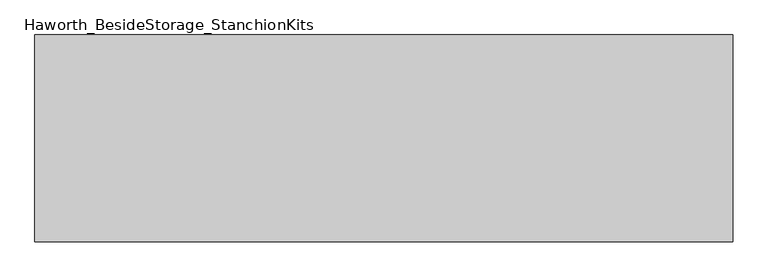
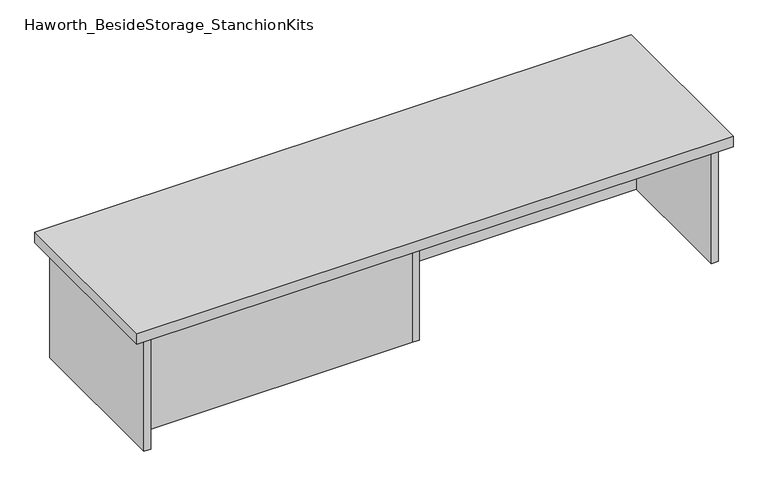
"""IFC4 building model written with IfcOpenShell, lengths in millimetres: furniture geometry, Haworth_BesideStorage_StanchionKits."""

from ifc_helpers import new_model, si_unit, frame, origin, place, context, project, spatial, polyline, outline, extrude, source, transform, mapped, element, save


def haworth_besidestorage_stanchionkits_ec138562(model_context):
    return source(origin(), model_context, "Body", "SweptSolid", [
        extrude(outline(polyline([(847.725, 0.0), (847.725, -406.4), (-523.875, -406.4), (-523.875, 0.0), (847.725, 0.0)])), frame((0.0, 0.0, 711.2), z_axis=(0.0, 0.0, 1.0), x_axis=(1.0, 0.0, 0.0)), (0.0, 0.0, 1.0), 25.4),
        extrude(outline(polyline([(169.8625, -76.2), (806.45, -76.2), (806.45, -92.075), (169.8625, -92.075), (169.8625, -76.2)])), frame((0.0, 0.0, 431.8), z_axis=(0.0, 0.0, 1.0), x_axis=(1.0, 0.0, 0.0)), (0.0, 0.0, 1.0), 279.4),
        extrude(outline(polyline([(153.9875, -314.325), (153.9875, -330.2), (-482.6, -330.2), (-482.6, -314.325), (153.9875, -314.325)])), frame((0.0, 0.0, 431.8), z_axis=(0.0, 0.0, 1.0), x_axis=(1.0, 0.0, 0.0)), (0.0, 0.0, 1.0), 279.4),
        extrude(outline(polyline([(169.8625, -330.2), (153.9875, -330.2), (153.9875, -76.2), (169.8625, -76.2), (169.8625, -330.2)])), frame((0.0, 0.0, 431.8), z_axis=(0.0, 0.0, 1.0), x_axis=(1.0, 0.0, 0.0)), (0.0, 0.0, 1.0), 279.4),
        extrude(outline(polyline([(822.325, -390.525), (806.45, -390.525), (806.45, -15.875), (822.325, -15.875), (822.325, -390.525)])), frame((0.0, 0.0, 431.8), z_axis=(0.0, 0.0, 1.0), x_axis=(1.0, 0.0, 0.0)), (0.0, 0.0, 1.0), 279.4),
        extrude(outline(polyline([(-482.6, -390.525), (-498.475, -390.525), (-498.475, -15.875), (-482.6, -15.875), (-482.6, -390.525)])), frame((0.0, 0.0, 431.8), z_axis=(0.0, 0.0, 1.0), x_axis=(1.0, 0.0, 0.0)), (0.0, 0.0, 1.0), 279.4),
    ])


if __name__ == "__main__":
    model = new_model("IFC4")
    model_context = context("Model", 3, world=origin())
    ifc_project = project(units=[si_unit("LENGTHUNIT", "METRE", prefix="MILLI")], contexts=[model_context])
    site = spatial("IfcSite", under=ifc_project)
    building = spatial("IfcBuilding", under=site)
    placement = place(None, origin())
    haworth_besidestorage_stanchionkits_shape = haworth_besidestorage_stanchionkits_ec138562(model_context)
    element("IfcFurniture", 1, ObjectType="Haworth_BesideStorage_StanchionKits", at=placement, inside=building, context=model_context, shape_type="MappedRepresentation", body=[
        mapped(haworth_besidestorage_stanchionkits_shape, transform((0.0, 0.0, 0.0), x_axis=(1.0, 0.0, 0.0), y_axis=(0.0, 1.0, 0.0), z_axis=(0.0, 0.0, 1.0))),
    ])
    save(model, "model.ifc")
